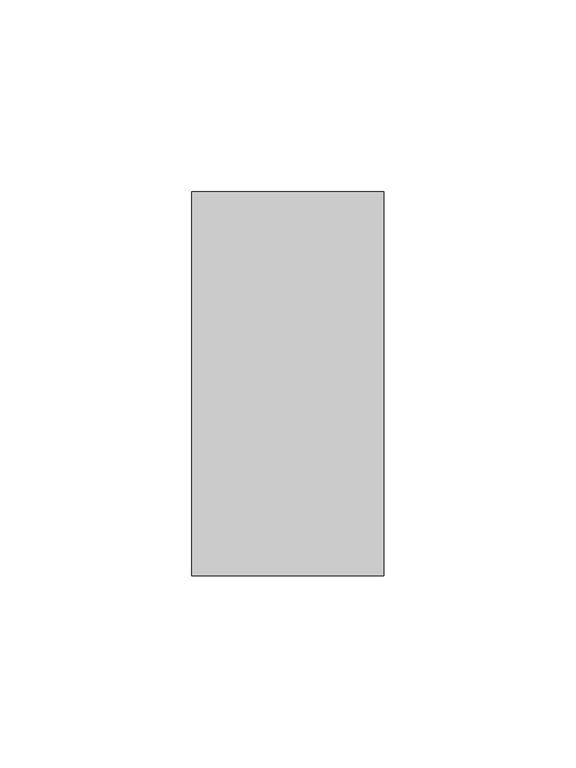
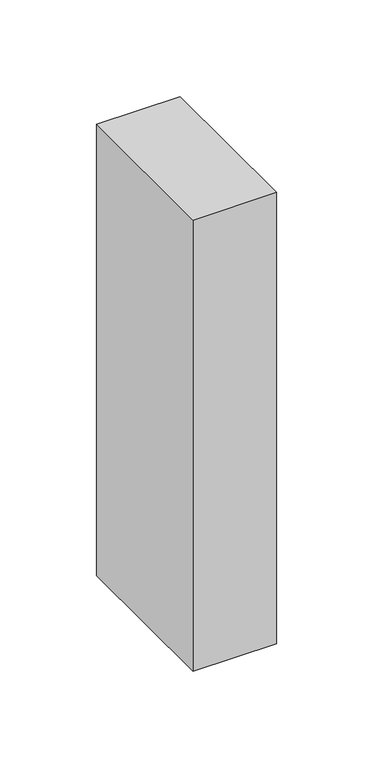
"""IFC4 building model written with IfcOpenShell, lengths in millimetres: member geometry."""

from ifc_helpers import new_model, si_unit, frame, origin, place, context, project, spatial, polyline, outline, extrude, source, transform, mapped, element, save


def member_42d00a2a(model_context):
    return source(origin(), model_context, "Body", "SweptSolid", [
        extrude(outline(polyline([(0.0, 50.0), (0.0, -50.0), (-50.0, -50.0), (-50.0, 50.0), (0.0, 50.0)])), frame((0.0, 0.0, -285.2281898), z_axis=(0.0, 0.0, 1.0), x_axis=(1.0, 0.0, 0.0)), (0.0, 0.0, 1.0), 285.2281898),
    ])


if __name__ == "__main__":
    model = new_model("IFC4")
    model_context = context("Model", 3, world=origin())
    ifc_project = project(units=[si_unit("LENGTHUNIT", "METRE", prefix="MILLI")], contexts=[model_context])
    site = spatial("IfcSite", under=ifc_project)
    building = spatial("IfcBuilding", under=site)
    placement = place(None, origin())
    member_shape = member_42d00a2a(model_context)
    element("IfcMember", 1, at=placement, inside=building, context=model_context, shape_type="MappedRepresentation", body=[
        mapped(member_shape, transform((0.0, 0.0, 0.0), x_axis=(1.0, 0.0, 0.0), y_axis=(0.0, 1.0, 0.0), z_axis=(0.0, 0.0, 1.0))),
    ])
    save(model, "model.ifc")
